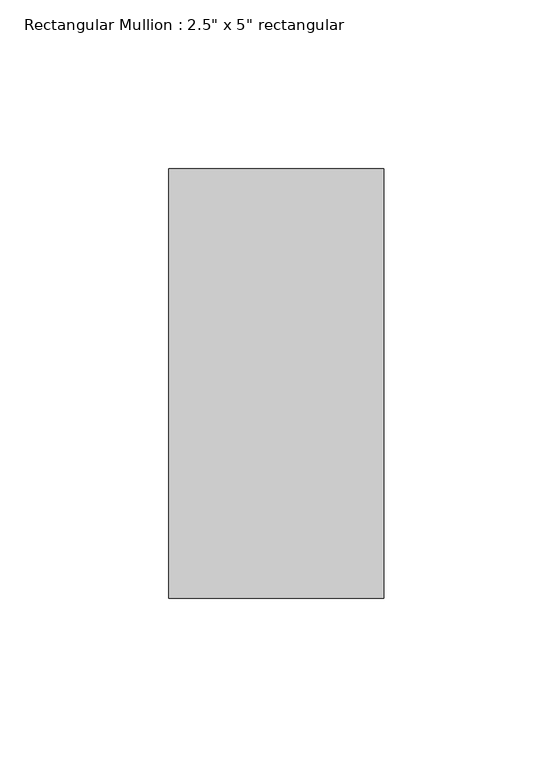
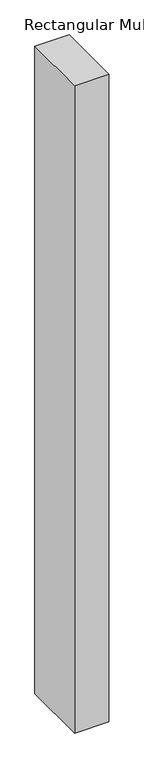
"""IFC4 building model written with IfcOpenShell, lengths in millimetres: member geometry."""

from ifc_helpers import new_model, si_unit, frame, origin, place, context, project, spatial, polyline, outline, extrude, source, transform, mapped, element, save


def member_187120ab(model_context):
    return source(origin(), model_context, "Body", "SweptSolid", [
        extrude(outline(polyline([(0.0, 63.5), (0.0, -63.5), (-63.5, -63.5), (-63.5, 63.5), (0.0, 63.5)])), frame((0.0, 0.0, -1266.825), z_axis=(0.0, 0.0, 1.0), x_axis=(1.0, 0.0, 0.0)), (0.0, 0.0, 1.0), 1266.825),
    ])


if __name__ == "__main__":
    model = new_model("IFC4")
    model_context = context("Model", 3, world=origin())
    ifc_project = project(units=[si_unit("LENGTHUNIT", "METRE", prefix="MILLI")], contexts=[model_context])
    site = spatial("IfcSite", under=ifc_project)
    building = spatial("IfcBuilding", under=site)
    placement = place(None, origin())
    member_shape = member_187120ab(model_context)
    element("IfcMember", 1, ObjectType="Rectangular Mullion : 2.5\" x 5\" rectangular", at=placement, inside=building, context=model_context, shape_type="MappedRepresentation", body=[
        mapped(member_shape, transform((0.0, 0.0, 0.0), x_axis=(1.0, 0.0, 0.0), y_axis=(0.0, 1.0, 0.0), z_axis=(0.0, 0.0, 1.0))),
    ])
    save(model, "model.ifc")
